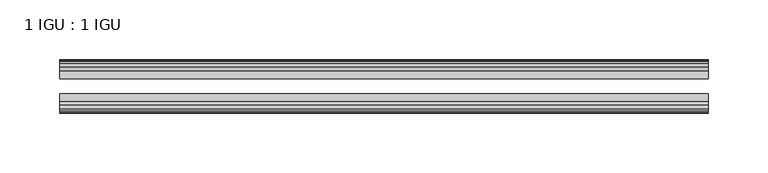
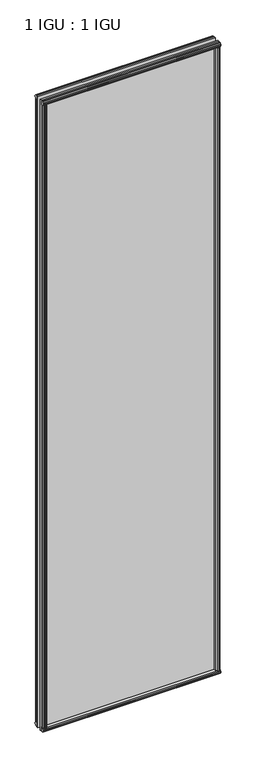
"""IFC4 building model written with IfcOpenShell, lengths in millimetres: plate geometry, 1 IGU : 1 IGU."""

from ifc_helpers import new_model, si_unit, frame, origin, origin_with_axes, place, context, project, spatial, polyline, outline, extrude, source, transform, mapped, element, save


def plate_1_igu_1_igu_5be2e95f(model_context):
    return source(origin(), model_context, "Body", "SweptSolid", [
        extrude(outline(polyline([(258.3927852, -19.5460937), (260.4980623, -13.1960937), (265.7052567, -13.1960937), (266.0862567, -10.8158968), (264.6707277, -11.27583), (264.6707277, -10.4746158), (266.8482567, -9.7670937), (269.0257858, -10.4746158), (269.0257858, -11.27583), (267.6102567, -10.8158968), (267.9912567, -13.1960937), (272.4362567, -13.1960937), (272.4362567, -16.1419073), (270.2231792, -19.5460937), (258.3927852, -19.5460937)])), origin_with_axes(), (0.0, 0.0, 1.0), 2019.3),
        extrude(outline(polyline([(-258.3927852, -19.5460937), (-270.2231792, -19.5460937), (-272.4362567, -16.1419073), (-272.4362567, -13.1960937), (-267.9912567, -13.1960937), (-267.6102567, -10.8158968), (-269.0257858, -11.27583), (-269.0257858, -10.4746158), (-266.8482567, -9.7670937), (-264.6707277, -10.4746158), (-264.6707277, -11.27583), (-266.0862567, -10.8158968), (-265.7052567, -13.1960937), (-260.4980623, -13.1960937), (-258.3927852, -19.5460937)])), origin_with_axes(), (0.0, 0.0, 1.0), 2019.3),
        extrude(outline(polyline([(-16.1419073, -12.4576852), (-19.5460937, -10.2446077), (-19.5460937, 1.5857863), (-13.1960937, -0.5194908), (-13.1960937, -5.7266852), (-10.8158968, -6.1076852), (-11.27583, -4.6921562), (-10.4746158, -4.6921562), (-9.7670937, -6.8696852), (-10.4746158, -9.0472143), (-11.27583, -9.0472143), (-10.8158968, -7.6316852), (-13.1960937, -8.0126852), (-13.1960937, -12.4576852), (-16.1419073, -12.4576852)])), frame((-272.6785715, 0.0, 0.0), z_axis=(1.0, 0.0, 0.0), x_axis=(0.0, 1.0, 0.0)), (0.0, 0.0, 1.0), 545.357143),
        extrude(outline(polyline([(-48.3502802, -11.938), (-51.2960937, -11.938), (-51.2960937, -7.493), (-53.6762907, -7.112), (-53.2163575, -8.5275291), (-54.0175717, -8.5275291), (-54.7250937, -6.35), (-54.0175717, -4.172471), (-53.2163575, -4.172471), (-53.6762907, -5.588), (-51.2960937, -5.207), (-51.2960937, 0.0001944), (-44.9460937, 2.1054715), (-44.9460937, -9.7249225), (-48.3502802, -11.938)])), frame((-272.6785715, 0.0, 0.0), z_axis=(1.0, 0.0, 0.0), x_axis=(0.0, 1.0, 0.0)), (0.0, 0.0, 1.0), 545.357143),
        extrude(outline(polyline([(-16.1028367, 2031.7576852), (-13.1960937, 2031.7576852), (-13.1960937, 2027.3126852), (-10.8158968, 2026.9316852), (-11.27583, 2028.3472143), (-10.4746158, 2028.3472143), (-9.7670937, 2026.1696852), (-10.4746158, 2023.9921562), (-11.27583, 2023.9921562), (-10.8158968, 2025.4076852), (-13.1960937, 2025.0266852), (-13.1960937, 2019.7940908), (-19.5460937, 2017.6888137), (-19.5460937, 2029.5192077), (-16.1028367, 2031.7576852)])), frame((-272.6785715, 0.0, 0.0), z_axis=(1.0, 0.0, 0.0), x_axis=(0.0, 1.0, 0.0)), (0.0, 0.0, 1.0), 545.357143),
        extrude(outline(polyline([(-48.3893508, 2031.2126), (-44.9460937, 2028.9741225), (-44.9460937, 2017.1437285), (-51.2960937, 2019.2490056), (-51.2960937, 2024.4816), (-53.6762907, 2024.8626), (-53.2163575, 2023.4470709), (-54.0175717, 2023.4470709), (-54.7250938, 2025.6246), (-54.0175717, 2027.802129), (-53.2163575, 2027.802129), (-53.6762907, 2026.3866), (-51.2960937, 2026.7676), (-51.2960937, 2031.2126), (-48.3893508, 2031.2126)])), frame((-272.6785715, 0.0, 0.0), z_axis=(1.0, 0.0, 0.0), x_axis=(0.0, 1.0, 0.0)), (0.0, 0.0, 1.0), 545.357143),
        extrude(outline(polyline([(-257.8731, -44.9460938), (-259.9783771, -51.2960938), (-265.1855715, -51.2960938), (-265.5665715, -53.6762907), (-264.1510425, -53.2163575), (-264.1510425, -54.0175717), (-266.3285715, -54.7250938), (-268.5061006, -54.0175717), (-268.5061006, -53.2163575), (-267.0905715, -53.6762907), (-267.4715715, -51.2960938), (-271.9165715, -51.2960938), (-271.9165715, -48.3502802), (-269.703494, -44.9460938), (-257.8731, -44.9460938)])), origin_with_axes(), (0.0, 0.0, 1.0), 2019.3),
        extrude(outline(polyline([(257.8731, -44.9460938), (269.703494, -44.9460938), (271.9165715, -48.3502802), (271.9165715, -51.2960938), (267.4715715, -51.2960938), (267.0905715, -53.6762907), (268.5061006, -53.2163575), (268.5061006, -54.0175717), (266.3285715, -54.7250938), (264.1510425, -54.0175717), (264.1510425, -53.2163575), (265.5665715, -53.6762907), (265.1855715, -51.2960938), (259.9783771, -51.2960938), (257.8731, -44.9460938)])), origin_with_axes(), (0.0, 0.0, 1.0), 2019.3),
        extrude(outline(polyline([(272.6785715, -19.5460937), (272.6785715, -25.8337453), (-272.6785715, -25.8337453), (-272.6785715, -19.5460937), (272.6785715, -19.5460937)])), frame((0.0, 0.0, -12.7), z_axis=(0.0, 0.0, 1.0), x_axis=(1.0, 0.0, 0.0)), (0.0, 0.0, 1.0), 2044.6872998),
        extrude(outline(polyline([(-272.6785715, -44.9460937), (-272.6785715, -38.6468938), (272.6785715, -38.6468938), (272.6785715, -44.9460937), (-272.6785715, -44.9460937)])), frame((0.0, 0.0, -12.7), z_axis=(0.0, 0.0, 1.0), x_axis=(1.0, 0.0, 0.0)), (0.0, 0.0, 1.0), 2044.6872998),
    ])


if __name__ == "__main__":
    model = new_model("IFC4")
    model_context = context("Model", 3, world=origin())
    ifc_project = project(units=[si_unit("LENGTHUNIT", "METRE", prefix="MILLI")], contexts=[model_context])
    site = spatial("IfcSite", under=ifc_project)
    building = spatial("IfcBuilding", under=site)
    placement = place(None, origin())
    plate_1_igu_1_igu_shape = plate_1_igu_1_igu_5be2e95f(model_context)
    element("IfcPlate", 1, ObjectType="1 IGU : 1 IGU", at=placement, inside=building, context=model_context, shape_type="MappedRepresentation", body=[
        mapped(plate_1_igu_1_igu_shape, transform((0.0, 0.0, 0.0), x_axis=(1.0, 0.0, 0.0), y_axis=(0.0, 1.0, 0.0), z_axis=(0.0, 0.0, 1.0))),
    ])
    save(model, "model.ifc")
